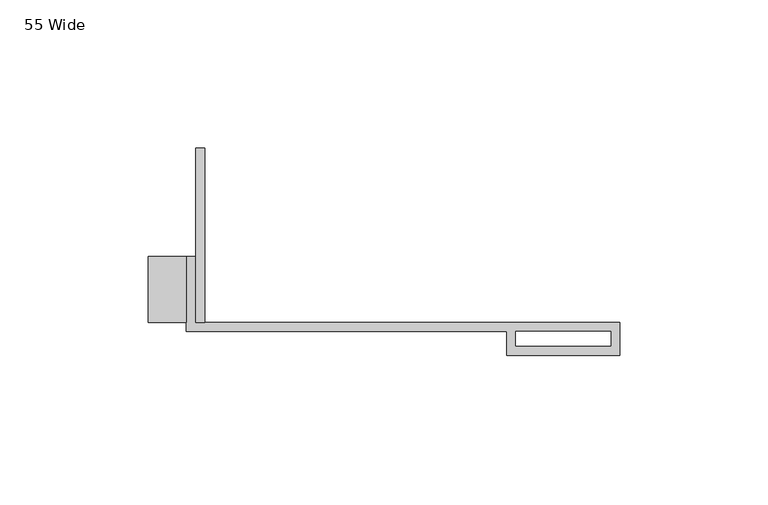
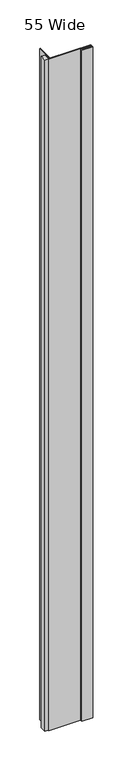
"""IFC4 building model written with IfcOpenShell, lengths in millimetres: proxy geometry, 55 Wide."""

from ifc_helpers import new_model, si_unit, origin, origin_with_axes, place, context, project, spatial, polyline, outline, extrude, source, transform, mapped, element, save


def proxy_55_wide_b0f41926(model_context):
    return source(origin(), model_context, "Body", "SweptSolid", [
        extrude(outline(polyline([(-101.6, 0.0), (-104.775, 0.0), (-104.775, 58.6652265), (-101.6, 58.6652265), (-101.6, 0.0)])), origin_with_axes(), (0.0, 0.0, 1.0), 2438.4),
        extrude(outline(polyline([(-107.95, 0.0), (-120.65, 0.0), (-120.65, 22.225), (-107.95, 22.225), (-107.95, 0.0)])), origin_with_axes(), (0.0, 0.0, 1.0), 2438.4),
        extrude(outline(polyline([(-107.95, 22.225), (-104.775, 22.225), (-104.775, 0.0), (38.1, 0.0), (38.1, -11.1125), (0.0, -11.1125), (0.0, -3.175), (-107.95, -3.175), (-107.95, 22.225)]), holes=[polyline([(3.175, -3.175), (3.175, -7.9375), (35.1499571, -7.9375), (35.1499571, -3.175), (3.175, -3.175)])]), origin_with_axes(), (0.0, 0.0, 1.0), 2438.4),
    ])


if __name__ == "__main__":
    model = new_model("IFC4")
    model_context = context("Model", 3, world=origin())
    ifc_project = project(units=[si_unit("LENGTHUNIT", "METRE", prefix="MILLI")], contexts=[model_context])
    site = spatial("IfcSite", under=ifc_project)
    building = spatial("IfcBuilding", under=site)
    placement = place(None, origin())
    proxy_55_wide_shape = proxy_55_wide_b0f41926(model_context)
    element("IfcBuildingElementProxy", 1, Name="55 Wide", ObjectType="55 Wide", at=placement, inside=building, context=model_context, shape_type="MappedRepresentation", body=[
        mapped(proxy_55_wide_shape, transform((0.0, 0.0, 0.0), x_axis=(1.0, 0.0, 0.0), y_axis=(0.0, 1.0, 0.0), z_axis=(0.0, 0.0, 1.0))),
    ])
    save(model, "model.ifc")
